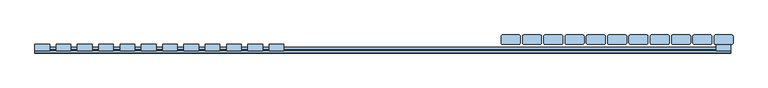
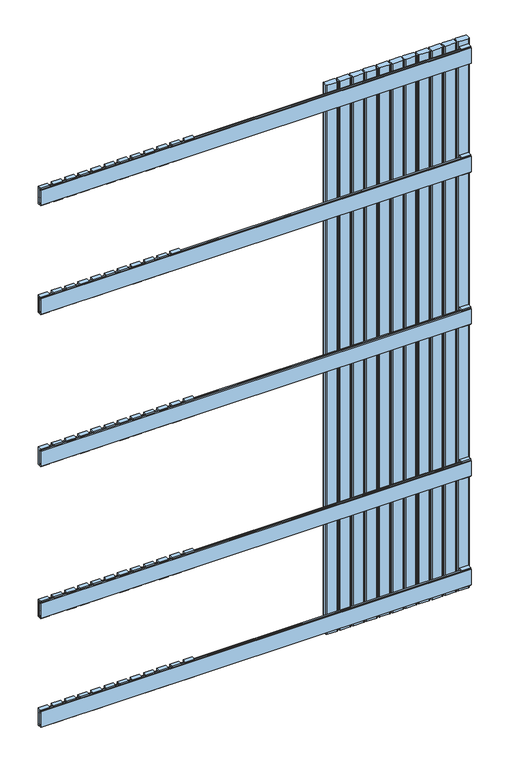
"""IFC4 building model written with IfcOpenShell, lengths in millimetres: window geometry."""

from ifc_helpers import new_model, si_unit, point, frame, frame_2d, origin, place, context, project, spatial, polyline, circle_curve, trimmed, segment, composite_curve, outline, extrude, source, transform, mapped, element, save


def window_bc53ae6e(model_context):
    return source(origin(), model_context, "Body", "SweptSolid", [
        extrude(outline(polyline([(112.0, 1120.0936804), (107.8, 1120.0936804), (107.8, 1116.0936804), (104.0, 1116.0936804), (104.0, 1124.0), (117.9, 1124.0), (117.9, 1061.0), (104.0, 1061.0), (104.0, 1068.9063196), (107.8, 1068.9063196), (107.8, 1064.9063196), (112.0, 1064.9063196), (112.0, 1120.0936804)])), frame((-240.5, 0.0, 0.0), z_axis=(1.0, 0.0, 0.0), x_axis=(0.0, 1.0, 0.0)), (0.0, 0.0, 1.0), 31.0),
        extrude(outline(polyline([(112.0, 570.0936804), (107.8, 570.0936804), (107.8, 566.0936804), (104.0, 566.0936804), (104.0, 574.0), (117.9, 574.0), (117.9, 511.0), (104.0, 511.0), (104.0, 518.9063196), (107.8, 518.9063196), (107.8, 514.9063196), (112.0, 514.9063196), (112.0, 570.0936804)])), frame((-240.5, 0.0, 0.0), z_axis=(1.0, 0.0, 0.0), x_axis=(0.0, 1.0, 0.0)), (0.0, 0.0, 1.0), 31.0),
        extrude(outline(polyline([(112.0, 2007.9063196), (112.0, 2063.0936804), (107.8, 2063.0936804), (107.8, 2059.0936804), (104.0, 2059.0936804), (104.0, 2067.0), (117.9, 2067.0), (117.9, 2004.0), (104.0, 2004.0), (104.0, 2011.9063196), (107.8, 2011.9063196), (107.8, 2007.9063196), (112.0, 2007.9063196)])), frame((-240.5, 0.0, 0.0), z_axis=(1.0, 0.0, 0.0), x_axis=(0.0, 1.0, 0.0)), (0.0, 0.0, 1.0), 31.0),
        extrude(outline(polyline([(112.0, 177.0936804), (107.8, 177.0936804), (107.8, 173.0936804), (104.0, 173.0936804), (104.0, 181.0), (117.9, 181.0), (117.9, 118.0), (104.0, 118.0), (104.0, 125.9063196), (107.8, 125.9063196), (107.8, 121.9063196), (112.0, 121.9063196), (112.0, 177.0936804)])), frame((-240.5, 0.0, 0.0), z_axis=(1.0, 0.0, 0.0), x_axis=(0.0, 1.0, 0.0)), (0.0, 0.0, 1.0), 31.0),
        extrude(outline(polyline([(112.0, 1670.0936804), (107.8, 1670.0936804), (107.8, 1666.0936804), (104.0, 1666.0936804), (104.0, 1674.0), (117.9, 1674.0), (117.9, 1611.0), (104.0, 1611.0), (104.0, 1618.9063196), (107.8, 1618.9063196), (107.8, 1614.9063196), (112.0, 1614.9063196), (112.0, 1670.0936804)])), frame((-285.5, 0.0, 0.0), z_axis=(1.0, 0.0, 0.0), x_axis=(0.0, 1.0, 0.0)), (0.0, 0.0, 1.0), 31.0),
        extrude(outline(polyline([(112.0, 1120.0936804), (107.8, 1120.0936804), (107.8, 1116.0936804), (104.0, 1116.0936804), (104.0, 1124.0), (117.9, 1124.0), (117.9, 1061.0), (104.0, 1061.0), (104.0, 1068.9063196), (107.8, 1068.9063196), (107.8, 1064.9063196), (112.0, 1064.9063196), (112.0, 1120.0936804)])), frame((-285.5, 0.0, 0.0), z_axis=(1.0, 0.0, 0.0), x_axis=(0.0, 1.0, 0.0)), (0.0, 0.0, 1.0), 31.0),
        extrude(outline(polyline([(112.0, 570.0936804), (107.8, 570.0936804), (107.8, 566.0936804), (104.0, 566.0936804), (104.0, 574.0), (117.9, 574.0), (117.9, 511.0), (104.0, 511.0), (104.0, 518.9063196), (107.8, 518.9063196), (107.8, 514.9063196), (112.0, 514.9063196), (112.0, 570.0936804)])), frame((-285.5, 0.0, 0.0), z_axis=(1.0, 0.0, 0.0), x_axis=(0.0, 1.0, 0.0)), (0.0, 0.0, 1.0), 31.0),
        extrude(outline(polyline([(112.0, 2007.9063196), (112.0, 2063.0936804), (107.8, 2063.0936804), (107.8, 2059.0936804), (104.0, 2059.0936804), (104.0, 2067.0), (117.9, 2067.0), (117.9, 2004.0), (104.0, 2004.0), (104.0, 2011.9063196), (107.8, 2011.9063196), (107.8, 2007.9063196), (112.0, 2007.9063196)])), frame((-285.5, 0.0, 0.0), z_axis=(1.0, 0.0, 0.0), x_axis=(0.0, 1.0, 0.0)), (0.0, 0.0, 1.0), 31.0),
        extrude(outline(polyline([(112.0, 177.0936804), (107.8, 177.0936804), (107.8, 173.0936804), (104.0, 173.0936804), (104.0, 181.0), (117.9, 181.0), (117.9, 118.0), (104.0, 118.0), (104.0, 125.9063196), (107.8, 125.9063196), (107.8, 121.9063196), (112.0, 121.9063196), (112.0, 177.0936804)])), frame((-285.5, 0.0, 0.0), z_axis=(1.0, 0.0, 0.0), x_axis=(0.0, 1.0, 0.0)), (0.0, 0.0, 1.0), 31.0),
        extrude(outline(polyline([(112.0, 1670.0936804), (107.8, 1670.0936804), (107.8, 1666.0936804), (104.0, 1666.0936804), (104.0, 1674.0), (117.9, 1674.0), (117.9, 1611.0), (104.0, 1611.0), (104.0, 1618.9063196), (107.8, 1618.9063196), (107.8, 1614.9063196), (112.0, 1614.9063196), (112.0, 1670.0936804)])), frame((-330.5, 0.0, 0.0), z_axis=(1.0, 0.0, 0.0), x_axis=(0.0, 1.0, 0.0)), (0.0, 0.0, 1.0), 31.0),
        extrude(outline(polyline([(112.0, 1120.0936804), (107.8, 1120.0936804), (107.8, 1116.0936804), (104.0, 1116.0936804), (104.0, 1124.0), (117.9, 1124.0), (117.9, 1061.0), (104.0, 1061.0), (104.0, 1068.9063196), (107.8, 1068.9063196), (107.8, 1064.9063196), (112.0, 1064.9063196), (112.0, 1120.0936804)])), frame((-330.5, 0.0, 0.0), z_axis=(1.0, 0.0, 0.0), x_axis=(0.0, 1.0, 0.0)), (0.0, 0.0, 1.0), 31.0),
        extrude(outline(polyline([(112.0, 570.0936804), (107.8, 570.0936804), (107.8, 566.0936804), (104.0, 566.0936804), (104.0, 574.0), (117.9, 574.0), (117.9, 511.0), (104.0, 511.0), (104.0, 518.9063196), (107.8, 518.9063196), (107.8, 514.9063196), (112.0, 514.9063196), (112.0, 570.0936804)])), frame((-330.5, 0.0, 0.0), z_axis=(1.0, 0.0, 0.0), x_axis=(0.0, 1.0, 0.0)), (0.0, 0.0, 1.0), 31.0),
        extrude(outline(polyline([(112.0, 2007.9063196), (112.0, 2063.0936804), (107.8, 2063.0936804), (107.8, 2059.0936804), (104.0, 2059.0936804), (104.0, 2067.0), (117.9, 2067.0), (117.9, 2004.0), (104.0, 2004.0), (104.0, 2011.9063196), (107.8, 2011.9063196), (107.8, 2007.9063196), (112.0, 2007.9063196)])), frame((-330.5, 0.0, 0.0), z_axis=(1.0, 0.0, 0.0), x_axis=(0.0, 1.0, 0.0)), (0.0, 0.0, 1.0), 31.0),
        extrude(outline(polyline([(112.0, 177.0936804), (107.8, 177.0936804), (107.8, 173.0936804), (104.0, 173.0936804), (104.0, 181.0), (117.9, 181.0), (117.9, 118.0), (104.0, 118.0), (104.0, 125.9063196), (107.8, 125.9063196), (107.8, 121.9063196), (112.0, 121.9063196), (112.0, 177.0936804)])), frame((-330.5, 0.0, 0.0), z_axis=(1.0, 0.0, 0.0), x_axis=(0.0, 1.0, 0.0)), (0.0, 0.0, 1.0), 31.0),
        extrude(outline(polyline([(112.0, 1670.0936804), (107.8, 1670.0936804), (107.8, 1666.0936804), (104.0, 1666.0936804), (104.0, 1674.0), (117.9, 1674.0), (117.9, 1611.0), (104.0, 1611.0), (104.0, 1618.9063196), (107.8, 1618.9063196), (107.8, 1614.9063196), (112.0, 1614.9063196), (112.0, 1670.0936804)])), frame((-375.5, 0.0, 0.0), z_axis=(1.0, 0.0, 0.0), x_axis=(0.0, 1.0, 0.0)), (0.0, 0.0, 1.0), 31.0),
        extrude(outline(polyline([(112.0, 1120.0936804), (107.8, 1120.0936804), (107.8, 1116.0936804), (104.0, 1116.0936804), (104.0, 1124.0), (117.9, 1124.0), (117.9, 1061.0), (104.0, 1061.0), (104.0, 1068.9063196), (107.8, 1068.9063196), (107.8, 1064.9063196), (112.0, 1064.9063196), (112.0, 1120.0936804)])), frame((-375.5, 0.0, 0.0), z_axis=(1.0, 0.0, 0.0), x_axis=(0.0, 1.0, 0.0)), (0.0, 0.0, 1.0), 31.0),
        extrude(outline(polyline([(112.0, 570.0936804), (107.8, 570.0936804), (107.8, 566.0936804), (104.0, 566.0936804), (104.0, 574.0), (117.9, 574.0), (117.9, 511.0), (104.0, 511.0), (104.0, 518.9063196), (107.8, 518.9063196), (107.8, 514.9063196), (112.0, 514.9063196), (112.0, 570.0936804)])), frame((-375.5, 0.0, 0.0), z_axis=(1.0, 0.0, 0.0), x_axis=(0.0, 1.0, 0.0)), (0.0, 0.0, 1.0), 31.0),
        extrude(outline(polyline([(112.0, 2007.9063196), (112.0, 2063.0936804), (107.8, 2063.0936804), (107.8, 2059.0936804), (104.0, 2059.0936804), (104.0, 2067.0), (117.9, 2067.0), (117.9, 2004.0), (104.0, 2004.0), (104.0, 2011.9063196), (107.8, 2011.9063196), (107.8, 2007.9063196), (112.0, 2007.9063196)])), frame((-375.5, 0.0, 0.0), z_axis=(1.0, 0.0, 0.0), x_axis=(0.0, 1.0, 0.0)), (0.0, 0.0, 1.0), 31.0),
        extrude(outline(polyline([(112.0, 177.0936804), (107.8, 177.0936804), (107.8, 173.0936804), (104.0, 173.0936804), (104.0, 181.0), (117.9, 181.0), (117.9, 118.0), (104.0, 118.0), (104.0, 125.9063196), (107.8, 125.9063196), (107.8, 121.9063196), (112.0, 121.9063196), (112.0, 177.0936804)])), frame((-375.5, 0.0, 0.0), z_axis=(1.0, 0.0, 0.0), x_axis=(0.0, 1.0, 0.0)), (0.0, 0.0, 1.0), 31.0),
        extrude(outline(polyline([(112.0, 1670.0936804), (107.8, 1670.0936804), (107.8, 1666.0936804), (104.0, 1666.0936804), (104.0, 1674.0), (117.9, 1674.0), (117.9, 1611.0), (104.0, 1611.0), (104.0, 1618.9063196), (107.8, 1618.9063196), (107.8, 1614.9063196), (112.0, 1614.9063196), (112.0, 1670.0936804)])), frame((-420.5, 0.0, 0.0), z_axis=(1.0, 0.0, 0.0), x_axis=(0.0, 1.0, 0.0)), (0.0, 0.0, 1.0), 31.0),
        extrude(outline(polyline([(112.0, 1120.0936804), (107.8, 1120.0936804), (107.8, 1116.0936804), (104.0, 1116.0936804), (104.0, 1124.0), (117.9, 1124.0), (117.9, 1061.0), (104.0, 1061.0), (104.0, 1068.9063196), (107.8, 1068.9063196), (107.8, 1064.9063196), (112.0, 1064.9063196), (112.0, 1120.0936804)])), frame((-420.5, 0.0, 0.0), z_axis=(1.0, 0.0, 0.0), x_axis=(0.0, 1.0, 0.0)), (0.0, 0.0, 1.0), 31.0),
        extrude(outline(polyline([(112.0, 570.0936804), (107.8, 570.0936804), (107.8, 566.0936804), (104.0, 566.0936804), (104.0, 574.0), (117.9, 574.0), (117.9, 511.0), (104.0, 511.0), (104.0, 518.9063196), (107.8, 518.9063196), (107.8, 514.9063196), (112.0, 514.9063196), (112.0, 570.0936804)])), frame((-420.5, 0.0, 0.0), z_axis=(1.0, 0.0, 0.0), x_axis=(0.0, 1.0, 0.0)), (0.0, 0.0, 1.0), 31.0),
        extrude(outline(polyline([(112.0, 2007.9063196), (112.0, 2063.0936804), (107.8, 2063.0936804), (107.8, 2059.0936804), (104.0, 2059.0936804), (104.0, 2067.0), (117.9, 2067.0), (117.9, 2004.0), (104.0, 2004.0), (104.0, 2011.9063196), (107.8, 2011.9063196), (107.8, 2007.9063196), (112.0, 2007.9063196)])), frame((-420.5, 0.0, 0.0), z_axis=(1.0, 0.0, 0.0), x_axis=(0.0, 1.0, 0.0)), (0.0, 0.0, 1.0), 31.0),
        extrude(outline(polyline([(112.0, 177.0936804), (107.8, 177.0936804), (107.8, 173.0936804), (104.0, 173.0936804), (104.0, 181.0), (117.9, 181.0), (117.9, 118.0), (104.0, 118.0), (104.0, 125.9063196), (107.8, 125.9063196), (107.8, 121.9063196), (112.0, 121.9063196), (112.0, 177.0936804)])), frame((-420.5, 0.0, 0.0), z_axis=(1.0, 0.0, 0.0), x_axis=(0.0, 1.0, 0.0)), (0.0, 0.0, 1.0), 31.0),
        extrude(outline(polyline([(112.0, 1670.0936804), (107.8, 1670.0936804), (107.8, 1666.0936804), (104.0, 1666.0936804), (104.0, 1674.0), (117.9, 1674.0), (117.9, 1611.0), (104.0, 1611.0), (104.0, 1618.9063196), (107.8, 1618.9063196), (107.8, 1614.9063196), (112.0, 1614.9063196), (112.0, 1670.0936804)])), frame((-465.5, 0.0, 0.0), z_axis=(1.0, 0.0, 0.0), x_axis=(0.0, 1.0, 0.0)), (0.0, 0.0, 1.0), 31.0),
        extrude(outline(polyline([(112.0, 1120.0936804), (107.8, 1120.0936804), (107.8, 1116.0936804), (104.0, 1116.0936804), (104.0, 1124.0), (117.9, 1124.0), (117.9, 1061.0), (104.0, 1061.0), (104.0, 1068.9063196), (107.8, 1068.9063196), (107.8, 1064.9063196), (112.0, 1064.9063196), (112.0, 1120.0936804)])), frame((-465.5, 0.0, 0.0), z_axis=(1.0, 0.0, 0.0), x_axis=(0.0, 1.0, 0.0)), (0.0, 0.0, 1.0), 31.0),
        extrude(outline(polyline([(112.0, 570.0936804), (107.8, 570.0936804), (107.8, 566.0936804), (104.0, 566.0936804), (104.0, 574.0), (117.9, 574.0), (117.9, 511.0), (104.0, 511.0), (104.0, 518.9063196), (107.8, 518.9063196), (107.8, 514.9063196), (112.0, 514.9063196), (112.0, 570.0936804)])), frame((-465.5, 0.0, 0.0), z_axis=(1.0, 0.0, 0.0), x_axis=(0.0, 1.0, 0.0)), (0.0, 0.0, 1.0), 31.0),
        extrude(outline(polyline([(112.0, 2007.9063196), (112.0, 2063.0936804), (107.8, 2063.0936804), (107.8, 2059.0936804), (104.0, 2059.0936804), (104.0, 2067.0), (117.9, 2067.0), (117.9, 2004.0), (104.0, 2004.0), (104.0, 2011.9063196), (107.8, 2011.9063196), (107.8, 2007.9063196), (112.0, 2007.9063196)])), frame((-465.5, 0.0, 0.0), z_axis=(1.0, 0.0, 0.0), x_axis=(0.0, 1.0, 0.0)), (0.0, 0.0, 1.0), 31.0),
        extrude(outline(polyline([(112.0, 177.0936804), (107.8, 177.0936804), (107.8, 173.0936804), (104.0, 173.0936804), (104.0, 181.0), (117.9, 181.0), (117.9, 118.0), (104.0, 118.0), (104.0, 125.9063196), (107.8, 125.9063196), (107.8, 121.9063196), (112.0, 121.9063196), (112.0, 177.0936804)])), frame((-465.5, 0.0, 0.0), z_axis=(1.0, 0.0, 0.0), x_axis=(0.0, 1.0, 0.0)), (0.0, 0.0, 1.0), 31.0),
        extrude(outline(polyline([(112.0, 1670.0936804), (107.8, 1670.0936804), (107.8, 1666.0936804), (104.0, 1666.0936804), (104.0, 1674.0), (117.9, 1674.0), (117.9, 1611.0), (104.0, 1611.0), (104.0, 1618.9063196), (107.8, 1618.9063196), (107.8, 1614.9063196), (112.0, 1614.9063196), (112.0, 1670.0936804)])), frame((-510.5, 0.0, 0.0), z_axis=(1.0, 0.0, 0.0), x_axis=(0.0, 1.0, 0.0)), (0.0, 0.0, 1.0), 31.0),
        extrude(outline(polyline([(112.0, 1120.0936804), (107.8, 1120.0936804), (107.8, 1116.0936804), (104.0, 1116.0936804), (104.0, 1124.0), (117.9, 1124.0), (117.9, 1061.0), (104.0, 1061.0), (104.0, 1068.9063196), (107.8, 1068.9063196), (107.8, 1064.9063196), (112.0, 1064.9063196), (112.0, 1120.0936804)])), frame((-510.5, 0.0, 0.0), z_axis=(1.0, 0.0, 0.0), x_axis=(0.0, 1.0, 0.0)), (0.0, 0.0, 1.0), 31.0),
        extrude(outline(polyline([(112.0, 570.0936804), (107.8, 570.0936804), (107.8, 566.0936804), (104.0, 566.0936804), (104.0, 574.0), (117.9, 574.0), (117.9, 511.0), (104.0, 511.0), (104.0, 518.9063196), (107.8, 518.9063196), (107.8, 514.9063196), (112.0, 514.9063196), (112.0, 570.0936804)])), frame((-510.5, 0.0, 0.0), z_axis=(1.0, 0.0, 0.0), x_axis=(0.0, 1.0, 0.0)), (0.0, 0.0, 1.0), 31.0),
        extrude(outline(polyline([(112.0, 2007.9063196), (112.0, 2063.0936804), (107.8, 2063.0936804), (107.8, 2059.0936804), (104.0, 2059.0936804), (104.0, 2067.0), (117.9, 2067.0), (117.9, 2004.0), (104.0, 2004.0), (104.0, 2011.9063196), (107.8, 2011.9063196), (107.8, 2007.9063196), (112.0, 2007.9063196)])), frame((-510.5, 0.0, 0.0), z_axis=(1.0, 0.0, 0.0), x_axis=(0.0, 1.0, 0.0)), (0.0, 0.0, 1.0), 31.0),
        extrude(outline(polyline([(112.0, 177.0936804), (107.8, 177.0936804), (107.8, 173.0936804), (104.0, 173.0936804), (104.0, 181.0), (117.9, 181.0), (117.9, 118.0), (104.0, 118.0), (104.0, 125.9063196), (107.8, 125.9063196), (107.8, 121.9063196), (112.0, 121.9063196), (112.0, 177.0936804)])), frame((-510.5, 0.0, 0.0), z_axis=(1.0, 0.0, 0.0), x_axis=(0.0, 1.0, 0.0)), (0.0, 0.0, 1.0), 31.0),
        extrude(outline(polyline([(112.0, 1670.0936804), (107.8, 1670.0936804), (107.8, 1666.0936804), (104.0, 1666.0936804), (104.0, 1674.0), (117.9, 1674.0), (117.9, 1611.0), (104.0, 1611.0), (104.0, 1618.9063196), (107.8, 1618.9063196), (107.8, 1614.9063196), (112.0, 1614.9063196), (112.0, 1670.0936804)])), frame((-555.5, 0.0, 0.0), z_axis=(1.0, 0.0, 0.0), x_axis=(0.0, 1.0, 0.0)), (0.0, 0.0, 1.0), 31.0),
        extrude(outline(polyline([(112.0, 1120.0936804), (107.8, 1120.0936804), (107.8, 1116.0936804), (104.0, 1116.0936804), (104.0, 1124.0), (117.9, 1124.0), (117.9, 1061.0), (104.0, 1061.0), (104.0, 1068.9063196), (107.8, 1068.9063196), (107.8, 1064.9063196), (112.0, 1064.9063196), (112.0, 1120.0936804)])), frame((-555.5, 0.0, 0.0), z_axis=(1.0, 0.0, 0.0), x_axis=(0.0, 1.0, 0.0)), (0.0, 0.0, 1.0), 31.0),
        extrude(outline(polyline([(112.0, 570.0936804), (107.8, 570.0936804), (107.8, 566.0936804), (104.0, 566.0936804), (104.0, 574.0), (117.9, 574.0), (117.9, 511.0), (104.0, 511.0), (104.0, 518.9063196), (107.8, 518.9063196), (107.8, 514.9063196), (112.0, 514.9063196), (112.0, 570.0936804)])), frame((-555.5, 0.0, 0.0), z_axis=(1.0, 0.0, 0.0), x_axis=(0.0, 1.0, 0.0)), (0.0, 0.0, 1.0), 31.0),
        extrude(outline(polyline([(112.0, 2007.9063196), (112.0, 2063.0936804), (107.8, 2063.0936804), (107.8, 2059.0936804), (104.0, 2059.0936804), (104.0, 2067.0), (117.9, 2067.0), (117.9, 2004.0), (104.0, 2004.0), (104.0, 2011.9063196), (107.8, 2011.9063196), (107.8, 2007.9063196), (112.0, 2007.9063196)])), frame((-555.5, 0.0, 0.0), z_axis=(1.0, 0.0, 0.0), x_axis=(0.0, 1.0, 0.0)), (0.0, 0.0, 1.0), 31.0),
        extrude(outline(polyline([(112.0, 177.0936804), (107.8, 177.0936804), (107.8, 173.0936804), (104.0, 173.0936804), (104.0, 181.0), (117.9, 181.0), (117.9, 118.0), (104.0, 118.0), (104.0, 125.9063196), (107.8, 125.9063196), (107.8, 121.9063196), (112.0, 121.9063196), (112.0, 177.0936804)])), frame((-555.5, 0.0, 0.0), z_axis=(1.0, 0.0, 0.0), x_axis=(0.0, 1.0, 0.0)), (0.0, 0.0, 1.0), 31.0),
        extrude(outline(polyline([(112.0, 1670.0936804), (107.8, 1670.0936804), (107.8, 1666.0936804), (104.0, 1666.0936804), (104.0, 1674.0), (117.9, 1674.0), (117.9, 1611.0), (104.0, 1611.0), (104.0, 1618.9063196), (107.8, 1618.9063196), (107.8, 1614.9063196), (112.0, 1614.9063196), (112.0, 1670.0936804)])), frame((-600.5, 0.0, 0.0), z_axis=(1.0, 0.0, 0.0), x_axis=(0.0, 1.0, 0.0)), (0.0, 0.0, 1.0), 31.0),
        extrude(outline(polyline([(112.0, 1120.0936804), (107.8, 1120.0936804), (107.8, 1116.0936804), (104.0, 1116.0936804), (104.0, 1124.0), (117.9, 1124.0), (117.9, 1061.0), (104.0, 1061.0), (104.0, 1068.9063196), (107.8, 1068.9063196), (107.8, 1064.9063196), (112.0, 1064.9063196), (112.0, 1120.0936804)])), frame((-600.5, 0.0, 0.0), z_axis=(1.0, 0.0, 0.0), x_axis=(0.0, 1.0, 0.0)), (0.0, 0.0, 1.0), 31.0),
        extrude(outline(polyline([(112.0, 570.0936804), (107.8, 570.0936804), (107.8, 566.0936804), (104.0, 566.0936804), (104.0, 574.0), (117.9, 574.0), (117.9, 511.0), (104.0, 511.0), (104.0, 518.9063196), (107.8, 518.9063196), (107.8, 514.9063196), (112.0, 514.9063196), (112.0, 570.0936804)])), frame((-600.5, 0.0, 0.0), z_axis=(1.0, 0.0, 0.0), x_axis=(0.0, 1.0, 0.0)), (0.0, 0.0, 1.0), 31.0),
        extrude(outline(polyline([(112.0, 2007.9063196), (112.0, 2063.0936804), (107.8, 2063.0936804), (107.8, 2059.0936804), (104.0, 2059.0936804), (104.0, 2067.0), (117.9, 2067.0), (117.9, 2004.0), (104.0, 2004.0), (104.0, 2011.9063196), (107.8, 2011.9063196), (107.8, 2007.9063196), (112.0, 2007.9063196)])), frame((-600.5, 0.0, 0.0), z_axis=(1.0, 0.0, 0.0), x_axis=(0.0, 1.0, 0.0)), (0.0, 0.0, 1.0), 31.0),
        extrude(outline(polyline([(112.0, 177.0936804), (107.8, 177.0936804), (107.8, 173.0936804), (104.0, 173.0936804), (104.0, 181.0), (117.9, 181.0), (117.9, 118.0), (104.0, 118.0), (104.0, 125.9063196), (107.8, 125.9063196), (107.8, 121.9063196), (112.0, 121.9063196), (112.0, 177.0936804)])), frame((-600.5, 0.0, 0.0), z_axis=(1.0, 0.0, 0.0), x_axis=(0.0, 1.0, 0.0)), (0.0, 0.0, 1.0), 31.0),
        extrude(outline(polyline([(112.0, 1670.0936804), (107.8, 1670.0936804), (107.8, 1666.0936804), (104.0, 1666.0936804), (104.0, 1674.0), (117.9, 1674.0), (117.9, 1611.0), (104.0, 1611.0), (104.0, 1618.9063196), (107.8, 1618.9063196), (107.8, 1614.9063196), (112.0, 1614.9063196), (112.0, 1670.0936804)])), frame((-645.5, 0.0, 0.0), z_axis=(1.0, 0.0, 0.0), x_axis=(0.0, 1.0, 0.0)), (0.0, 0.0, 1.0), 31.0),
        extrude(outline(polyline([(112.0, 1120.0936804), (107.8, 1120.0936804), (107.8, 1116.0936804), (104.0, 1116.0936804), (104.0, 1124.0), (117.9, 1124.0), (117.9, 1061.0), (104.0, 1061.0), (104.0, 1068.9063196), (107.8, 1068.9063196), (107.8, 1064.9063196), (112.0, 1064.9063196), (112.0, 1120.0936804)])), frame((-645.5, 0.0, 0.0), z_axis=(1.0, 0.0, 0.0), x_axis=(0.0, 1.0, 0.0)), (0.0, 0.0, 1.0), 31.0),
        extrude(outline(polyline([(112.0, 570.0936804), (107.8, 570.0936804), (107.8, 566.0936804), (104.0, 566.0936804), (104.0, 574.0), (117.9, 574.0), (117.9, 511.0), (104.0, 511.0), (104.0, 518.9063196), (107.8, 518.9063196), (107.8, 514.9063196), (112.0, 514.9063196), (112.0, 570.0936804)])), frame((-645.5, 0.0, 0.0), z_axis=(1.0, 0.0, 0.0), x_axis=(0.0, 1.0, 0.0)), (0.0, 0.0, 1.0), 31.0),
        extrude(outline(polyline([(112.0, 2007.9063196), (112.0, 2063.0936804), (107.8, 2063.0936804), (107.8, 2059.0936804), (104.0, 2059.0936804), (104.0, 2067.0), (117.9, 2067.0), (117.9, 2004.0), (104.0, 2004.0), (104.0, 2011.9063196), (107.8, 2011.9063196), (107.8, 2007.9063196), (112.0, 2007.9063196)])), frame((-645.5, 0.0, 0.0), z_axis=(1.0, 0.0, 0.0), x_axis=(0.0, 1.0, 0.0)), (0.0, 0.0, 1.0), 31.0),
        extrude(outline(polyline([(112.0, 177.0936804), (107.8, 177.0936804), (107.8, 173.0936804), (104.0, 173.0936804), (104.0, 181.0), (117.9, 181.0), (117.9, 118.0), (104.0, 118.0), (104.0, 125.9063196), (107.8, 125.9063196), (107.8, 121.9063196), (112.0, 121.9063196), (112.0, 177.0936804)])), frame((-645.5, 0.0, 0.0), z_axis=(1.0, 0.0, 0.0), x_axis=(0.0, 1.0, 0.0)), (0.0, 0.0, 1.0), 31.0),
        extrude(outline(polyline([(112.0, 1670.0936804), (107.8, 1670.0936804), (107.8, 1666.0936804), (104.0, 1666.0936804), (104.0, 1674.0), (117.9, 1674.0), (117.9, 1611.0), (104.0, 1611.0), (104.0, 1618.9063196), (107.8, 1618.9063196), (107.8, 1614.9063196), (112.0, 1614.9063196), (112.0, 1670.0936804)])), frame((-690.5, 0.0, 0.0), z_axis=(1.0, 0.0, 0.0), x_axis=(0.0, 1.0, 0.0)), (0.0, 0.0, 1.0), 31.0),
        extrude(outline(polyline([(112.0, 1120.0936804), (107.8, 1120.0936804), (107.8, 1116.0936804), (104.0, 1116.0936804), (104.0, 1124.0), (117.9, 1124.0), (117.9, 1061.0), (104.0, 1061.0), (104.0, 1068.9063196), (107.8, 1068.9063196), (107.8, 1064.9063196), (112.0, 1064.9063196), (112.0, 1120.0936804)])), frame((-690.5, 0.0, 0.0), z_axis=(1.0, 0.0, 0.0), x_axis=(0.0, 1.0, 0.0)), (0.0, 0.0, 1.0), 31.0),
        extrude(outline(polyline([(112.0, 570.0936804), (107.8, 570.0936804), (107.8, 566.0936804), (104.0, 566.0936804), (104.0, 574.0), (117.9, 574.0), (117.9, 511.0), (104.0, 511.0), (104.0, 518.9063196), (107.8, 518.9063196), (107.8, 514.9063196), (112.0, 514.9063196), (112.0, 570.0936804)])), frame((-690.5, 0.0, 0.0), z_axis=(1.0, 0.0, 0.0), x_axis=(0.0, 1.0, 0.0)), (0.0, 0.0, 1.0), 31.0),
        extrude(outline(polyline([(112.0, 2007.9063196), (112.0, 2063.0936804), (107.8, 2063.0936804), (107.8, 2059.0936804), (104.0, 2059.0936804), (104.0, 2067.0), (117.9, 2067.0), (117.9, 2004.0), (104.0, 2004.0), (104.0, 2011.9063196), (107.8, 2011.9063196), (107.8, 2007.9063196), (112.0, 2007.9063196)])), frame((-690.5, 0.0, 0.0), z_axis=(1.0, 0.0, 0.0), x_axis=(0.0, 1.0, 0.0)), (0.0, 0.0, 1.0), 31.0),
        extrude(outline(polyline([(112.0, 177.0936804), (107.8, 177.0936804), (107.8, 173.0936804), (104.0, 173.0936804), (104.0, 181.0), (117.9, 181.0), (117.9, 118.0), (104.0, 118.0), (104.0, 125.9063196), (107.8, 125.9063196), (107.8, 121.9063196), (112.0, 121.9063196), (112.0, 177.0936804)])), frame((-690.5, 0.0, 0.0), z_axis=(1.0, 0.0, 0.0), x_axis=(0.0, 1.0, 0.0)), (0.0, 0.0, 1.0), 31.0),
        extrude(outline(polyline([(112.0, 1614.9063196), (112.0, 1670.0936804), (107.8, 1670.0936804), (107.8, 1666.0936804), (104.0, 1666.0936804), (104.0, 1674.0), (117.9, 1674.0), (117.9, 1611.0), (104.0, 1611.0), (104.0, 1618.9063196), (107.8, 1618.9063196), (107.8, 1614.9063196), (112.0, 1614.9063196)])), frame((704.5, 0.0, 0.0), z_axis=(1.0, 0.0, 0.0), x_axis=(0.0, 1.0, 0.0)), (0.0, 0.0, 1.0), 31.0),
        extrude(outline(polyline([(112.0, 1064.9063196), (112.0, 1120.0936804), (107.8, 1120.0936804), (107.8, 1116.0936804), (104.0, 1116.0936804), (104.0, 1124.0), (117.9, 1124.0), (117.9, 1061.0), (104.0, 1061.0), (104.0, 1068.9063196), (107.8, 1068.9063196), (107.8, 1064.9063196), (112.0, 1064.9063196)])), frame((704.5, 0.0, 0.0), z_axis=(1.0, 0.0, 0.0), x_axis=(0.0, 1.0, 0.0)), (0.0, 0.0, 1.0), 31.0),
        extrude(outline(polyline([(112.0, 514.9063196), (112.0, 570.0936804), (107.8, 570.0936804), (107.8, 566.0936804), (104.0, 566.0936804), (104.0, 574.0), (117.9, 574.0), (117.9, 511.0), (104.0, 511.0), (104.0, 518.9063196), (107.8, 518.9063196), (107.8, 514.9063196), (112.0, 514.9063196)])), frame((704.5, 0.0, 0.0), z_axis=(1.0, 0.0, 0.0), x_axis=(0.0, 1.0, 0.0)), (0.0, 0.0, 1.0), 31.0),
        extrude(outline(polyline([(112.0, 2007.9063196), (112.0, 2063.0936804), (107.8, 2063.0936804), (107.8, 2059.0936804), (104.0, 2059.0936804), (104.0, 2067.0), (117.9, 2067.0), (117.9, 2004.0), (104.0, 2004.0), (104.0, 2011.9063196), (107.8, 2011.9063196), (107.8, 2007.9063196), (112.0, 2007.9063196)])), frame((704.5, 0.0, 0.0), z_axis=(1.0, 0.0, 0.0), x_axis=(0.0, 1.0, 0.0)), (0.0, 0.0, 1.0), 31.0),
        extrude(outline(polyline([(112.0, 177.0936804), (107.8, 177.0936804), (107.8, 173.0936804), (104.0, 173.0936804), (104.0, 181.0), (117.9, 181.0), (117.9, 118.0), (104.0, 118.0), (104.0, 125.9063196), (107.8, 125.9063196), (107.8, 121.9063196), (112.0, 121.9063196), (112.0, 177.0936804)])), frame((704.5, 0.0, 0.0), z_axis=(1.0, 0.0, 0.0), x_axis=(0.0, 1.0, 0.0)), (0.0, 0.0, 1.0), 31.0),
        extrude(outline(polyline([(112.0, 1614.9063196), (112.0, 1670.0936804), (107.8, 1670.0936804), (107.8, 1666.0936804), (104.0, 1666.0936804), (104.0, 1674.0), (117.9, 1674.0), (117.9, 1611.0), (104.0, 1611.0), (104.0, 1618.9063196), (107.8, 1618.9063196), (107.8, 1614.9063196), (112.0, 1614.9063196)])), frame((-735.5, 0.0, 0.0), z_axis=(1.0, 0.0, 0.0), x_axis=(0.0, 1.0, 0.0)), (0.0, 0.0, 1.0), 31.0),
        extrude(outline(polyline([(112.0, 1064.9063196), (112.0, 1120.0936804), (107.8, 1120.0936804), (107.8, 1116.0936804), (104.0, 1116.0936804), (104.0, 1124.0), (117.9, 1124.0), (117.9, 1061.0), (104.0, 1061.0), (104.0, 1068.9063196), (107.8, 1068.9063196), (107.8, 1064.9063196), (112.0, 1064.9063196)])), frame((-735.5, 0.0, 0.0), z_axis=(1.0, 0.0, 0.0), x_axis=(0.0, 1.0, 0.0)), (0.0, 0.0, 1.0), 31.0),
        extrude(outline(polyline([(112.0, 514.9063196), (112.0, 570.0936804), (107.8, 570.0936804), (107.8, 566.0936804), (104.0, 566.0936804), (104.0, 574.0), (117.9, 574.0), (117.9, 511.0), (104.0, 511.0), (104.0, 518.9063196), (107.8, 518.9063196), (107.8, 514.9063196), (112.0, 514.9063196)])), frame((-735.5, 0.0, 0.0), z_axis=(1.0, 0.0, 0.0), x_axis=(0.0, 1.0, 0.0)), (0.0, 0.0, 1.0), 31.0),
        extrude(outline(polyline([(112.0, 2007.9063196), (112.0, 2063.0936804), (107.8, 2063.0936804), (107.8, 2059.0936804), (104.0, 2059.0936804), (104.0, 2067.0), (117.9, 2067.0), (117.9, 2004.0), (104.0, 2004.0), (104.0, 2011.9063196), (107.8, 2011.9063196), (107.8, 2007.9063196), (112.0, 2007.9063196)])), frame((-735.5, 0.0, 0.0), z_axis=(1.0, 0.0, 0.0), x_axis=(0.0, 1.0, 0.0)), (0.0, 0.0, 1.0), 31.0),
        extrude(outline(polyline([(112.0, 177.0936804), (107.8, 177.0936804), (107.8, 173.0936804), (104.0, 173.0936804), (104.0, 181.0), (117.9, 181.0), (117.9, 118.0), (104.0, 118.0), (104.0, 125.9063196), (107.8, 125.9063196), (107.8, 121.9063196), (112.0, 121.9063196), (112.0, 177.0936804)])), frame((-735.5, 0.0, 0.0), z_axis=(1.0, 0.0, 0.0), x_axis=(0.0, 1.0, 0.0)), (0.0, 0.0, 1.0), 31.0),
        extrude(outline(polyline([(100.0, 1670.0063196), (104.0, 1670.0063196), (104.0, 1666.0063196), (108.0, 1666.0063196), (108.0, 1670.0063196), (112.0, 1670.0063196), (112.0, 1665.0063196), (109.0, 1665.0063196), (109.0, 1660.0063196), (112.0, 1660.0063196), (112.0, 1647.5063196), (109.0, 1647.5063196), (109.0, 1637.5063196), (112.0, 1637.5063196), (112.0, 1625.0063196), (109.0, 1625.0063196), (109.0, 1620.0063196), (112.0, 1620.0063196), (112.0, 1615.0063196), (108.0, 1615.0063196), (108.0, 1619.0063196), (104.0, 1619.0063196), (104.0, 1615.0063196), (100.0, 1615.0063196), (100.0, 1670.0063196)])), frame((-735.5, 0.0, 0.0), z_axis=(1.0, 0.0, 0.0), x_axis=(0.0, 1.0, 0.0)), (0.0, 0.0, 1.0), 1471.0),
        extrude(outline(polyline([(100.0, 1120.0063196), (104.0, 1120.0063196), (104.0, 1116.0063196), (108.0, 1116.0063196), (108.0, 1120.0063196), (112.0, 1120.0063196), (112.0, 1115.0063196), (109.0, 1115.0063196), (109.0, 1110.0063196), (112.0, 1110.0063196), (112.0, 1097.5063196), (109.0, 1097.5063196), (109.0, 1087.5063196), (112.0, 1087.5063196), (112.0, 1075.0063196), (109.0, 1075.0063196), (109.0, 1070.0063196), (112.0, 1070.0063196), (112.0, 1065.0063196), (108.0, 1065.0063196), (108.0, 1069.0063196), (104.0, 1069.0063196), (104.0, 1065.0063196), (100.0, 1065.0063196), (100.0, 1120.0063196)])), frame((-735.5, 0.0, 0.0), z_axis=(1.0, 0.0, 0.0), x_axis=(0.0, 1.0, 0.0)), (0.0, 0.0, 1.0), 1471.0),
        extrude(outline(polyline([(100.0, 570.0063196), (104.0, 570.0063196), (104.0, 566.0063196), (108.0, 566.0063196), (108.0, 570.0063196), (112.0, 570.0063196), (112.0, 565.0063196), (109.0, 565.0063196), (109.0, 560.0063196), (112.0, 560.0063196), (112.0, 547.5063196), (109.0, 547.5063196), (109.0, 537.5063196), (112.0, 537.5063196), (112.0, 525.0063196), (109.0, 525.0063196), (109.0, 520.0063196), (112.0, 520.0063196), (112.0, 515.0063196), (108.0, 515.0063196), (108.0, 519.0063196), (104.0, 519.0063196), (104.0, 515.0063196), (100.0, 515.0063196), (100.0, 570.0063196)])), frame((-735.5, 0.0, 0.0), z_axis=(1.0, 0.0, 0.0), x_axis=(0.0, 1.0, 0.0)), (0.0, 0.0, 1.0), 1471.0),
        extrude(outline(polyline([(100.0, 2063.0), (104.0, 2063.0), (104.0, 2059.0), (108.0, 2059.0), (108.0, 2063.0), (112.0, 2063.0), (112.0, 2058.0), (109.0, 2058.0), (109.0, 2053.0), (112.0, 2053.0), (112.0, 2040.5), (109.0, 2040.5), (109.0, 2030.5), (112.0, 2030.5), (112.0, 2018.0), (109.0, 2018.0), (109.0, 2013.0), (112.0, 2013.0), (112.0, 2008.0), (108.0, 2008.0), (108.0, 2012.0), (104.0, 2012.0), (104.0, 2008.0), (100.0, 2008.0), (100.0, 2063.0)])), frame((-735.5, 0.0, 0.0), z_axis=(1.0, 0.0, 0.0), x_axis=(0.0, 1.0, 0.0)), (0.0, 0.0, 1.0), 1471.0),
        extrude(outline(polyline([(100.0, 177.0), (104.0, 177.0), (104.0, 173.0), (108.0, 173.0), (108.0, 177.0), (112.0, 177.0), (112.0, 172.0), (109.0, 172.0), (109.0, 167.0), (112.0, 167.0), (112.0, 154.5), (109.0, 154.5), (109.0, 144.5), (112.0, 144.5), (112.0, 132.0), (109.0, 132.0), (109.0, 127.0), (112.0, 127.0), (112.0, 122.0), (108.0, 122.0), (108.0, 126.0), (104.0, 126.0), (104.0, 122.0), (100.0, 122.0), (100.0, 177.0)])), frame((-735.5, 0.0, 0.0), z_axis=(1.0, 0.0, 0.0), x_axis=(0.0, 1.0, 0.0)), (0.0, 0.0, 1.0), 1471.0),
        extrude(outline(composite_curve([segment(polyline([(739.995806, 135.0), (739.995806, 121.0)]), True, "CONTINUOUS"), segment(trimmed(circle_curve(frame_2d((736.995806, 121.0)), 3.0), [point((739.995806, 121.0))], [point((736.995806, 118.0))], False, "CARTESIAN"), True, "CONTINUOUS"), segment(polyline([(736.995806, 118.0), (703.004194, 118.0)]), True, "CONTINUOUS"), segment(trimmed(circle_curve(frame_2d((703.004194, 121.0)), 3.0), [point((703.004194, 118.0))], [point((700.004194, 121.0))], False, "CARTESIAN"), True, "CONTINUOUS"), segment(polyline([(700.004194, 121.0), (700.004194, 135.0)]), True, "CONTINUOUS"), segment(trimmed(circle_curve(frame_2d((703.004194, 135.0)), 3.0), [point((700.004194, 135.0))], [point((703.004194, 138.0))], False, "CARTESIAN"), True, "CONTINUOUS"), segment(polyline([(703.004194, 138.0), (736.995806, 138.0)]), True, "CONTINUOUS"), segment(trimmed(circle_curve(frame_2d((736.995806, 135.0)), 3.0), [point((736.995806, 138.0))], [point((739.995806, 135.0))], False, "CARTESIAN"), True, "CONTINUOUS")], self_intersect=False)), frame((0.0, 0.0, 100.0), z_axis=(0.0, 0.0, 1.0), x_axis=(1.0, 0.0, 0.0)), (0.0, 0.0, 1.0), 1985.0),
        extrude(outline(composite_curve([segment(polyline([(694.995806, 135.0), (694.995806, 121.0)]), True, "CONTINUOUS"), segment(trimmed(circle_curve(frame_2d((691.995806, 121.0)), 3.0), [point((694.995806, 121.0))], [point((691.995806, 118.0))], False, "CARTESIAN"), True, "CONTINUOUS"), segment(polyline([(691.995806, 118.0), (658.004194, 118.0)]), True, "CONTINUOUS"), segment(trimmed(circle_curve(frame_2d((658.004194, 121.0)), 3.0), [point((658.004194, 118.0))], [point((655.004194, 121.0))], False, "CARTESIAN"), True, "CONTINUOUS"), segment(polyline([(655.004194, 121.0), (655.004194, 135.0)]), True, "CONTINUOUS"), segment(trimmed(circle_curve(frame_2d((658.004194, 135.0)), 3.0), [point((655.004194, 135.0))], [point((658.004194, 138.0))], False, "CARTESIAN"), True, "CONTINUOUS"), segment(polyline([(658.004194, 138.0), (691.995806, 138.0)]), True, "CONTINUOUS"), segment(trimmed(circle_curve(frame_2d((691.995806, 135.0)), 3.0), [point((691.995806, 138.0))], [point((694.995806, 135.0))], False, "CARTESIAN"), True, "CONTINUOUS")], self_intersect=False)), frame((0.0, 0.0, 100.0), z_axis=(0.0, 0.0, 1.0), x_axis=(1.0, 0.0, 0.0)), (0.0, 0.0, 1.0), 1985.0),
        extrude(outline(composite_curve([segment(polyline([(649.995806, 135.0), (649.995806, 121.0)]), True, "CONTINUOUS"), segment(trimmed(circle_curve(frame_2d((646.995806, 121.0)), 3.0), [point((649.995806, 121.0))], [point((646.995806, 118.0))], False, "CARTESIAN"), True, "CONTINUOUS"), segment(polyline([(646.995806, 118.0), (613.004194, 118.0)]), True, "CONTINUOUS"), segment(trimmed(circle_curve(frame_2d((613.004194, 121.0)), 3.0), [point((613.004194, 118.0))], [point((610.004194, 121.0))], False, "CARTESIAN"), True, "CONTINUOUS"), segment(polyline([(610.004194, 121.0), (610.004194, 135.0)]), True, "CONTINUOUS"), segment(trimmed(circle_curve(frame_2d((613.004194, 135.0)), 3.0), [point((610.004194, 135.0))], [point((613.004194, 138.0))], False, "CARTESIAN"), True, "CONTINUOUS"), segment(polyline([(613.004194, 138.0), (646.995806, 138.0)]), True, "CONTINUOUS"), segment(trimmed(circle_curve(frame_2d((646.995806, 135.0)), 3.0), [point((646.995806, 138.0))], [point((649.995806, 135.0))], False, "CARTESIAN"), True, "CONTINUOUS")], self_intersect=False)), frame((0.0, 0.0, 100.0), z_axis=(0.0, 0.0, 1.0), x_axis=(1.0, 0.0, 0.0)), (0.0, 0.0, 1.0), 1985.0),
        extrude(outline(composite_curve([segment(polyline([(604.995806, 135.0), (604.995806, 121.0)]), True, "CONTINUOUS"), segment(trimmed(circle_curve(frame_2d((601.995806, 121.0)), 3.0), [point((604.995806, 121.0))], [point((601.995806, 118.0))], False, "CARTESIAN"), True, "CONTINUOUS"), segment(polyline([(601.995806, 118.0), (568.004194, 118.0)]), True, "CONTINUOUS"), segment(trimmed(circle_curve(frame_2d((568.004194, 121.0)), 3.0), [point((568.004194, 118.0))], [point((565.004194, 121.0))], False, "CARTESIAN"), True, "CONTINUOUS"), segment(polyline([(565.004194, 121.0), (565.004194, 135.0)]), True, "CONTINUOUS"), segment(trimmed(circle_curve(frame_2d((568.004194, 135.0)), 3.0), [point((565.004194, 135.0))], [point((568.004194, 138.0))], False, "CARTESIAN"), True, "CONTINUOUS"), segment(polyline([(568.004194, 138.0), (601.995806, 138.0)]), True, "CONTINUOUS"), segment(trimmed(circle_curve(frame_2d((601.995806, 135.0)), 3.0), [point((601.995806, 138.0))], [point((604.995806, 135.0))], False, "CARTESIAN"), True, "CONTINUOUS")], self_intersect=False)), frame((0.0, 0.0, 100.0), z_axis=(0.0, 0.0, 1.0), x_axis=(1.0, 0.0, 0.0)), (0.0, 0.0, 1.0), 1985.0),
        extrude(outline(composite_curve([segment(polyline([(559.995806, 135.0), (559.995806, 121.0)]), True, "CONTINUOUS"), segment(trimmed(circle_curve(frame_2d((556.995806, 121.0)), 3.0), [point((559.995806, 121.0))], [point((556.995806, 118.0))], False, "CARTESIAN"), True, "CONTINUOUS"), segment(polyline([(556.995806, 118.0), (523.004194, 118.0)]), True, "CONTINUOUS"), segment(trimmed(circle_curve(frame_2d((523.004194, 121.0)), 3.0), [point((523.004194, 118.0))], [point((520.004194, 121.0))], False, "CARTESIAN"), True, "CONTINUOUS"), segment(polyline([(520.004194, 121.0), (520.004194, 135.0)]), True, "CONTINUOUS"), segment(trimmed(circle_curve(frame_2d((523.004194, 135.0)), 3.0), [point((520.004194, 135.0))], [point((523.004194, 138.0))], False, "CARTESIAN"), True, "CONTINUOUS"), segment(polyline([(523.004194, 138.0), (556.995806, 138.0)]), True, "CONTINUOUS"), segment(trimmed(circle_curve(frame_2d((556.995806, 135.0)), 3.0), [point((556.995806, 138.0))], [point((559.995806, 135.0))], False, "CARTESIAN"), True, "CONTINUOUS")], self_intersect=False)), frame((0.0, 0.0, 100.0), z_axis=(0.0, 0.0, 1.0), x_axis=(1.0, 0.0, 0.0)), (0.0, 0.0, 1.0), 1985.0),
        extrude(outline(composite_curve([segment(polyline([(514.995806, 135.0), (514.995806, 121.0)]), True, "CONTINUOUS"), segment(trimmed(circle_curve(frame_2d((511.995806, 121.0)), 3.0), [point((514.995806, 121.0))], [point((511.995806, 118.0))], False, "CARTESIAN"), True, "CONTINUOUS"), segment(polyline([(511.995806, 118.0), (478.004194, 118.0)]), True, "CONTINUOUS"), segment(trimmed(circle_curve(frame_2d((478.004194, 121.0)), 3.0), [point((478.004194, 118.0))], [point((475.004194, 121.0))], False, "CARTESIAN"), True, "CONTINUOUS"), segment(polyline([(475.004194, 121.0), (475.004194, 135.0)]), True, "CONTINUOUS"), segment(trimmed(circle_curve(frame_2d((478.004194, 135.0)), 3.0), [point((475.004194, 135.0))], [point((478.004194, 138.0))], False, "CARTESIAN"), True, "CONTINUOUS"), segment(polyline([(478.004194, 138.0), (511.995806, 138.0)]), True, "CONTINUOUS"), segment(trimmed(circle_curve(frame_2d((511.995806, 135.0)), 3.0), [point((511.995806, 138.0))], [point((514.995806, 135.0))], False, "CARTESIAN"), True, "CONTINUOUS")], self_intersect=False)), frame((0.0, 0.0, 100.0), z_axis=(0.0, 0.0, 1.0), x_axis=(1.0, 0.0, 0.0)), (0.0, 0.0, 1.0), 1985.0),
        extrude(outline(composite_curve([segment(polyline([(469.995806, 135.0), (469.995806, 121.0)]), True, "CONTINUOUS"), segment(trimmed(circle_curve(frame_2d((466.995806, 121.0)), 3.0), [point((469.995806, 121.0))], [point((466.995806, 118.0))], False, "CARTESIAN"), True, "CONTINUOUS"), segment(polyline([(466.995806, 118.0), (433.004194, 118.0)]), True, "CONTINUOUS"), segment(trimmed(circle_curve(frame_2d((433.004194, 121.0)), 3.0), [point((433.004194, 118.0))], [point((430.004194, 121.0))], False, "CARTESIAN"), True, "CONTINUOUS"), segment(polyline([(430.004194, 121.0), (430.004194, 135.0)]), True, "CONTINUOUS"), segment(trimmed(circle_curve(frame_2d((433.004194, 135.0)), 3.0), [point((430.004194, 135.0))], [point((433.004194, 138.0))], False, "CARTESIAN"), True, "CONTINUOUS"), segment(polyline([(433.004194, 138.0), (466.995806, 138.0)]), True, "CONTINUOUS"), segment(trimmed(circle_curve(frame_2d((466.995806, 135.0)), 3.0), [point((466.995806, 138.0))], [point((469.995806, 135.0))], False, "CARTESIAN"), True, "CONTINUOUS")], self_intersect=False)), frame((0.0, 0.0, 100.0), z_axis=(0.0, 0.0, 1.0), x_axis=(1.0, 0.0, 0.0)), (0.0, 0.0, 1.0), 1985.0),
        extrude(outline(composite_curve([segment(polyline([(424.995806, 135.0), (424.995806, 121.0)]), True, "CONTINUOUS"), segment(trimmed(circle_curve(frame_2d((421.995806, 121.0)), 3.0), [point((424.995806, 121.0))], [point((421.995806, 118.0))], False, "CARTESIAN"), True, "CONTINUOUS"), segment(polyline([(421.995806, 118.0), (388.004194, 118.0)]), True, "CONTINUOUS"), segment(trimmed(circle_curve(frame_2d((388.004194, 121.0)), 3.0), [point((388.004194, 118.0))], [point((385.004194, 121.0))], False, "CARTESIAN"), True, "CONTINUOUS"), segment(polyline([(385.004194, 121.0), (385.004194, 135.0)]), True, "CONTINUOUS"), segment(trimmed(circle_curve(frame_2d((388.004194, 135.0)), 3.0), [point((385.004194, 135.0))], [point((388.004194, 138.0))], False, "CARTESIAN"), True, "CONTINUOUS"), segment(polyline([(388.004194, 138.0), (421.995806, 138.0)]), True, "CONTINUOUS"), segment(trimmed(circle_curve(frame_2d((421.995806, 135.0)), 3.0), [point((421.995806, 138.0))], [point((424.995806, 135.0))], False, "CARTESIAN"), True, "CONTINUOUS")], self_intersect=False)), frame((0.0, 0.0, 100.0), z_axis=(0.0, 0.0, 1.0), x_axis=(1.0, 0.0, 0.0)), (0.0, 0.0, 1.0), 1985.0),
        extrude(outline(composite_curve([segment(polyline([(379.995806, 135.0), (379.995806, 121.0)]), True, "CONTINUOUS"), segment(trimmed(circle_curve(frame_2d((376.995806, 121.0)), 3.0), [point((379.995806, 121.0))], [point((376.995806, 118.0))], False, "CARTESIAN"), True, "CONTINUOUS"), segment(polyline([(376.995806, 118.0), (343.004194, 118.0)]), True, "CONTINUOUS"), segment(trimmed(circle_curve(frame_2d((343.004194, 121.0)), 3.0), [point((343.004194, 118.0))], [point((340.004194, 121.0))], False, "CARTESIAN"), True, "CONTINUOUS"), segment(polyline([(340.004194, 121.0), (340.004194, 135.0)]), True, "CONTINUOUS"), segment(trimmed(circle_curve(frame_2d((343.004194, 135.0)), 3.0), [point((340.004194, 135.0))], [point((343.004194, 138.0))], False, "CARTESIAN"), True, "CONTINUOUS"), segment(polyline([(343.004194, 138.0), (376.995806, 138.0)]), True, "CONTINUOUS"), segment(trimmed(circle_curve(frame_2d((376.995806, 135.0)), 3.0), [point((376.995806, 138.0))], [point((379.995806, 135.0))], False, "CARTESIAN"), True, "CONTINUOUS")], self_intersect=False)), frame((0.0, 0.0, 100.0), z_axis=(0.0, 0.0, 1.0), x_axis=(1.0, 0.0, 0.0)), (0.0, 0.0, 1.0), 1985.0),
        extrude(outline(composite_curve([segment(polyline([(334.995806, 135.0), (334.995806, 121.0)]), True, "CONTINUOUS"), segment(trimmed(circle_curve(frame_2d((331.995806, 121.0)), 3.0), [point((334.995806, 121.0))], [point((331.995806, 118.0))], False, "CARTESIAN"), True, "CONTINUOUS"), segment(polyline([(331.995806, 118.0), (298.004194, 118.0)]), True, "CONTINUOUS"), segment(trimmed(circle_curve(frame_2d((298.004194, 121.0)), 3.0), [point((298.004194, 118.0))], [point((295.004194, 121.0))], False, "CARTESIAN"), True, "CONTINUOUS"), segment(polyline([(295.004194, 121.0), (295.004194, 135.0)]), True, "CONTINUOUS"), segment(trimmed(circle_curve(frame_2d((298.004194, 135.0)), 3.0), [point((295.004194, 135.0))], [point((298.004194, 138.0))], False, "CARTESIAN"), True, "CONTINUOUS"), segment(polyline([(298.004194, 138.0), (331.995806, 138.0)]), True, "CONTINUOUS"), segment(trimmed(circle_curve(frame_2d((331.995806, 135.0)), 3.0), [point((331.995806, 138.0))], [point((334.995806, 135.0))], False, "CARTESIAN"), True, "CONTINUOUS")], self_intersect=False)), frame((0.0, 0.0, 100.0), z_axis=(0.0, 0.0, 1.0), x_axis=(1.0, 0.0, 0.0)), (0.0, 0.0, 1.0), 1985.0),
        extrude(outline(composite_curve([segment(polyline([(289.995806, 135.0), (289.995806, 121.0)]), True, "CONTINUOUS"), segment(trimmed(circle_curve(frame_2d((286.995806, 121.0)), 3.0), [point((289.995806, 121.0))], [point((286.995806, 118.0))], False, "CARTESIAN"), True, "CONTINUOUS"), segment(polyline([(286.995806, 118.0), (253.004194, 118.0)]), True, "CONTINUOUS"), segment(trimmed(circle_curve(frame_2d((253.004194, 121.0)), 3.0), [point((253.004194, 118.0))], [point((250.004194, 121.0))], False, "CARTESIAN"), True, "CONTINUOUS"), segment(polyline([(250.004194, 121.0), (250.004194, 135.0)]), True, "CONTINUOUS"), segment(trimmed(circle_curve(frame_2d((253.004194, 135.0)), 3.0), [point((250.004194, 135.0))], [point((253.004194, 138.0))], False, "CARTESIAN"), True, "CONTINUOUS"), segment(polyline([(253.004194, 138.0), (286.995806, 138.0)]), True, "CONTINUOUS"), segment(trimmed(circle_curve(frame_2d((286.995806, 135.0)), 3.0), [point((286.995806, 138.0))], [point((289.995806, 135.0))], False, "CARTESIAN"), True, "CONTINUOUS")], self_intersect=False)), frame((0.0, 0.0, 100.0), z_axis=(0.0, 0.0, 1.0), x_axis=(1.0, 0.0, 0.0)), (0.0, 0.0, 1.0), 1985.0),
    ])


if __name__ == "__main__":
    model = new_model("IFC4")
    model_context = context("Model", 3, world=origin())
    ifc_project = project(units=[si_unit("LENGTHUNIT", "METRE", prefix="MILLI")], contexts=[model_context])
    site = spatial("IfcSite", under=ifc_project)
    building = spatial("IfcBuilding", under=site)
    placement = place(None, origin())
    window_shape = window_bc53ae6e(model_context)
    element("IfcWindow", 1, at=placement, inside=building, context=model_context, shape_type="MappedRepresentation", body=[
        mapped(window_shape, transform((0.0, 0.0, 0.0), x_axis=(1.0, 0.0, 0.0), y_axis=(0.0, 1.0, 0.0), z_axis=(0.0, 0.0, 1.0))),
    ])
    save(model, "model.ifc")
